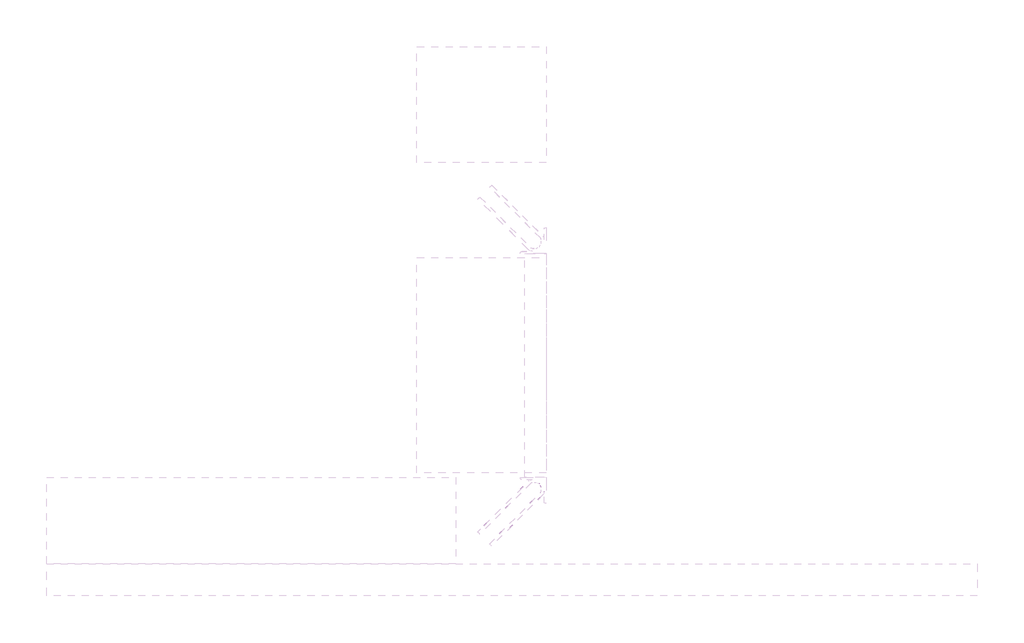
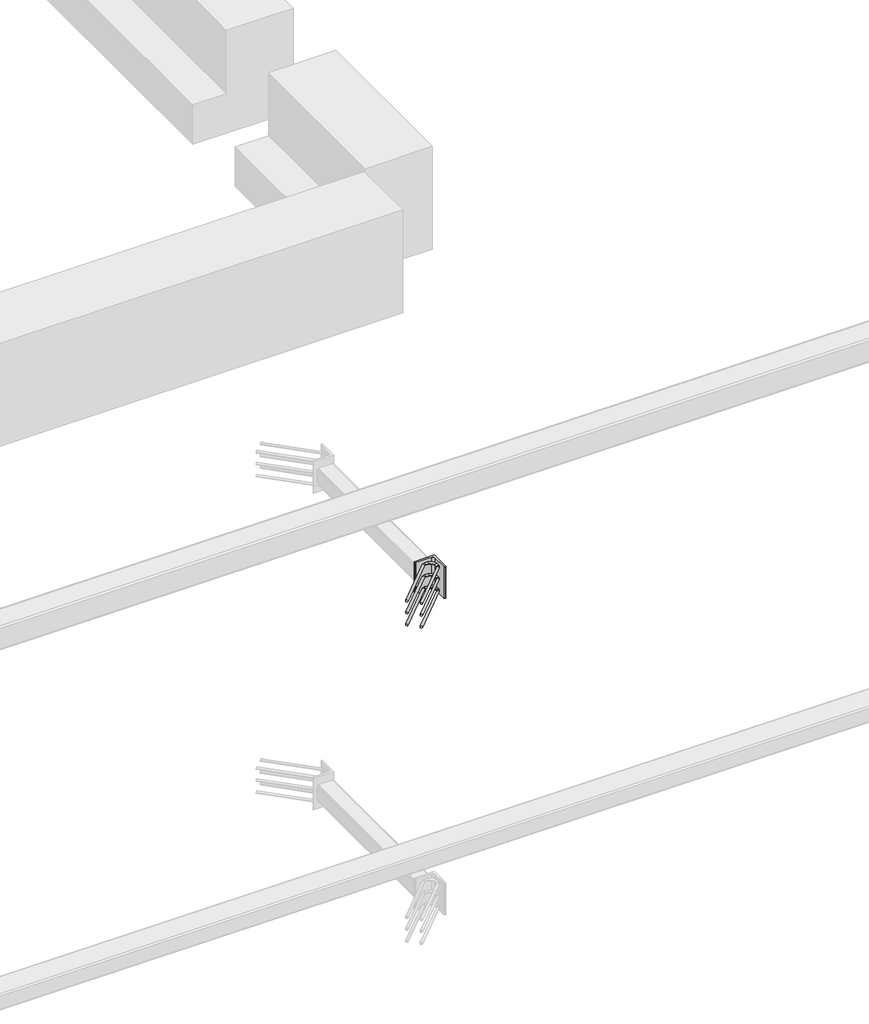
# One storey, part 6 of 65: 1 fastener.
"""IFC4 building model written with IfcOpenShell, lengths in millimetres."""

import ifcopenshell
import ifcopenshell.guid

model = None  # the IFC model being written
_history = None  # IfcOwnerHistory: only IFC2X3 demands one
_inside = {}  # id of a spatial element -> (the spatial element, [elements in it])
_under = {}  # id of a project, library or spatial element -> (it, [spatial elements below it])
_declared = {}  # id of a project -> (the project, [libraries it declares])
_typed = {}  # id of a type object -> (the type object, [elements of that type])
_made_of = {}  # id of a material, layer set ... -> (it, [elements and type objects made of it])


def new_model(schema):
    """Start an empty IFC model of exactly this schema.

    Asked for "IFC4X3", IfcOpenShell would pick the latest addendum, in which some entities
    have other attributes; the version numbers below select the first issue.
    IFC2X3 requires an IfcOwnerHistory on every rooted entity: one is made here for all.
    """
    global model, _history
    if schema == "IFC4X3":
        model = ifcopenshell.file(schema_version=(4, 3, 0, 0))
    else:
        model = ifcopenshell.file(schema=schema)
    _inside.clear()
    _under.clear()
    _declared.clear()
    _typed.clear()
    _made_of.clear()
    _history = None
    if model.schema == "IFC2X3":
        org = make("IfcOrganization", Name="unknown")
        user = make(
            "IfcPersonAndOrganization",
            ThePerson=make("IfcPerson", FamilyName="unknown"),
            TheOrganization=org,
        )
        app = make(
            "IfcApplication",
            ApplicationDeveloper=org,
            Version="unknown",
            ApplicationFullName="unknown",
            ApplicationIdentifier="unknown",
        )
        _history = make(
            "IfcOwnerHistory",
            OwningUser=user,
            OwningApplication=app,
            ChangeAction="ADDED",
            CreationDate=0,
        )
    return model


def make(cls, **values):
    """One entity of the class cls with the attributes given. An attribute that is None is left unset."""
    return model.create_entity(
        cls, **{name: value for name, value in values.items() if value is not None}
    )


def rooted(cls, **values):
    """An entity with a GlobalId (a new one), such as an element, a storey or a relation."""
    return make(cls, GlobalId=ifcopenshell.guid.new(), OwnerHistory=_history, **values)


def si_unit(unit_type, name, prefix=None):
    """IfcSIUnit, for example si_unit("LENGTHUNIT", "METRE", prefix="MILLI")."""
    return make("IfcSIUnit", UnitType=unit_type, Prefix=prefix, Name=name)


def assignment(units):
    """IfcUnitAssignment: the units of a project."""
    return None if units is None else make("IfcUnitAssignment", Units=units)


def point(xyz):
    """IfcCartesianPoint."""
    return None if xyz is None else make("IfcCartesianPoint", Coordinates=xyz)


def direction(xyz):
    """IfcDirection."""
    return None if xyz is None else make("IfcDirection", DirectionRatios=xyz)


def frame(location, z_axis=None, x_axis=None):
    """IfcAxis2Placement3D, a coordinate frame: its origin and axes. An axis left out is left unset."""
    return make(
        "IfcAxis2Placement3D",
        Location=point(location),
        Axis=direction(z_axis),
        RefDirection=direction(x_axis),
    )


def frame_2d(location, x_axis=None):
    """IfcAxis2Placement2D, a coordinate frame in the plane: its origin and x axis."""
    return make(
        "IfcAxis2Placement2D", Location=point(location), RefDirection=direction(x_axis)
    )


def origin():
    """The frame at (0, 0, 0) with its axes left unset."""
    return frame((0.0, 0.0, 0.0))


def place(relative_to, where):
    """IfcLocalPlacement: puts the frame where relative to a parent placement (None: the world)."""
    return make(
        "IfcLocalPlacement", PlacementRelTo=relative_to, RelativePlacement=where
    )


def context(
    kind, dimensions, precision=None, world=None, true_north=None, identifier=None
):
    """IfcGeometricRepresentationContext, for example the 3D "Model" context."""
    return make(
        "IfcGeometricRepresentationContext",
        ContextIdentifier=identifier,
        ContextType=kind,
        CoordinateSpaceDimension=dimensions,
        Precision=precision,
        WorldCoordinateSystem=world,
        TrueNorth=true_north,
    )


def project(units=None, contexts=None):
    """IfcProject with its units and contexts."""
    return rooted(
        "IfcProject",
        Name="project",
        RepresentationContexts=contexts,
        UnitsInContext=assignment(units),
    )


def spatial(cls, under=None, at=None, **own):
    """A site, building, storey or space (cls), placed at a placement, below another one or the project."""
    s = rooted(cls, ObjectPlacement=at, **own)
    if under is not None:
        _under.setdefault(under.id(), (under, []))[1].append(s)
    return s


def polyline(points):
    """IfcPolyline through the points."""
    return make("IfcPolyline", Points=[point(p) for p in points])


def circle_curve(where, radius):
    """IfcCircle in the frame where."""
    return make("IfcCircle", Position=where, Radius=radius)


def ellipse_curve(where, semi_axis1, semi_axis2):
    """IfcEllipse in the frame where."""
    return make(
        "IfcEllipse", Position=where, SemiAxis1=semi_axis1, SemiAxis2=semi_axis2
    )


def trimmed(basis, trim1, trim2, sense, master):
    """IfcTrimmedCurve: the piece of a basis curve between two trims."""
    return make(
        "IfcTrimmedCurve",
        BasisCurve=basis,
        Trim1=trim1,
        Trim2=trim2,
        SenseAgreement=sense,
        MasterRepresentation=master,
    )


def segment(curve, same_sense, transition):
    """IfcCompositeCurveSegment."""
    return make(
        "IfcCompositeCurveSegment",
        Transition=transition,
        SameSense=same_sense,
        ParentCurve=curve,
    )


def composite_curve(segments, self_intersect=None):
    """IfcCompositeCurve: segments joined end to end."""
    return make("IfcCompositeCurve", Segments=segments, SelfIntersect=self_intersect)


def outline(outer, holes=None, kind="AREA"):
    """IfcArbitraryClosedProfileDef: a profile drawn as a closed curve; with holes, ...WithVoids."""
    if holes is None:
        return make("IfcArbitraryClosedProfileDef", ProfileType=kind, OuterCurve=outer)
    return make(
        "IfcArbitraryProfileDefWithVoids",
        ProfileType=kind,
        OuterCurve=outer,
        InnerCurves=holes,
    )


def extrude(swept, where, along, depth):
    """IfcExtrudedAreaSolid: the profile swept, set in the frame where, extruded along a direction by depth."""
    return make(
        "IfcExtrudedAreaSolid",
        SweptArea=swept,
        Position=where,
        ExtrudedDirection=direction(along),
        Depth=depth,
    )


def shape(context_of_items, identifier, shape_type, items):
    """IfcShapeRepresentation: the items that make up one representation, for example the "Body"."""
    return make(
        "IfcShapeRepresentation",
        ContextOfItems=context_of_items,
        RepresentationIdentifier=identifier,
        RepresentationType=shape_type,
        Items=items,
    )


def made_of(thing, what):
    """Note that an element or type object is made of a material, layer set ...; save() writes the relation."""
    if what is not None:
        _made_of.setdefault(what.id(), (what, []))[1].append(thing)
    return thing


def element(
    cls,
    number,
    at=None,
    inside=None,
    cuts=None,
    type_object=None,
    material=None,
    context=None,
    identifier="Body",
    shape_type=None,
    held_by="IfcProductDefinitionShape",
    body=None,
    shapes=None,
    **own,
):
    """One element of the class cls, such as IfcWall. Its Tag is "e" and its number.

    at: its placement. inside: the storey or other place that contains it. cuts: it is an
    opening in that element (IfcRelVoidsElement). A single representation is given by context,
    identifier, shape_type and body (its items); several are given by shapes. held_by: the class
    of the entity that holds the representations. save() writes the other relations.
    """
    e = rooted(cls, Tag="e%d" % number, ObjectPlacement=at, **own)
    if body is not None:
        shapes = [shape(context, identifier, shape_type, body)]
    if shapes is not None:
        e.Representation = make(held_by, Representations=shapes)
    if inside is not None:
        _inside.setdefault(inside.id(), (inside, []))[1].append(e)
    if cuts is not None:
        rooted(
            "IfcRelVoidsElement", RelatingBuildingElement=cuts, RelatedOpeningElement=e
        )
    if type_object is not None:
        _typed.setdefault(type_object.id(), (type_object, []))[1].append(e)
    return made_of(e, material)


def aggregate(whole, parts):
    """IfcRelAggregates: a whole, such as a stair, and the parts it consists of."""
    return rooted("IfcRelAggregates", RelatingObject=whole, RelatedObjects=parts)


def save(model, path):
    """Write the relations noted so far, then the file.

    IfcRelAggregates (storeys below a building ...), IfcRelContainedInSpatialStructure (elements
    in a storey), IfcRelDefinesByType, IfcRelAssociatesMaterial and IfcRelDeclares: one each for
    every whole, place, type object, material and project.
    """
    for whole, parts in _under.values():
        aggregate(whole, parts)
    for where, things in _inside.values():
        rooted(
            "IfcRelContainedInSpatialStructure",
            RelatedElements=things,
            RelatingStructure=where,
        )
    for kind, things in _typed.values():
        rooted("IfcRelDefinesByType", RelatedObjects=things, RelatingType=kind)
    for what, things in _made_of.values():
        rooted("IfcRelAssociatesMaterial", RelatedObjects=things, RelatingMaterial=what)
    for by, libraries in _declared.values():
        rooted("IfcRelDeclares", RelatingContext=by, RelatedDefinitions=libraries)
    model.write(path)


def plane_surface(at):
    """IfcPlane: the flat surface through the origin of the frame at, square to its z axis."""
    return make("IfcPlane", Position=at)


def cylinder_surface(at, radius):
    """IfcCylindricalSurface: all points at the distance radius from the z axis of the frame at."""
    return make("IfcCylindricalSurface", Position=at, Radius=radius)


def revolved_surface(curve, axis_point, axis_direction):
    """IfcSurfaceOfRevolution: the curve turned about the line through axis_point along axis_direction."""
    return make(
        "IfcSurfaceOfRevolution",
        SweptCurve=make("IfcArbitraryOpenProfileDef", ProfileType="CURVE", Curve=curve),
        AxisPosition=make("IfcAxis1Placement", Location=point(axis_point), Axis=direction(axis_direction)),
    )


def advanced_brep(points, edges, surfaces, faces):
    """IfcAdvancedBrep: a solid bounded by faces that lie on surfaces and meet in shared edges.

    An edge is (start, end): straight between two places in points (the first is 0);
    or (start, end, curve); or (start, end, curve, False) where it runs against its curve.
    A face is (place in surfaces, loops), or (place, loops, False) where it looks against
    its surface's normal. A loop lists edges by number (the first is 1), with a minus sign
    where the edge is run from its end to its start. The first loop is the outer one.
    """
    corners = [point(p) for p in points]
    vertices = [make("IfcVertexPoint", VertexGeometry=c) for c in corners]
    made = []
    for start, end, *more in edges:
        made.append(
            make(
                "IfcEdgeCurve",
                EdgeStart=vertices[start],
                EdgeEnd=vertices[end],
                EdgeGeometry=more[0] if more else make("IfcPolyline", Points=[corners[start], corners[end]]),
                SameSense=more[1] if len(more) > 1 else True,
            )
        )
    hull = []
    for where, loops, *sense in faces:
        bounds = []
        for j, loop in enumerate(loops):
            ring = [make("IfcOrientedEdge", EdgeElement=made[abs(k) - 1], Orientation=k > 0) for k in loop]
            bounds.append(
                make(
                    "IfcFaceOuterBound" if j == 0 else "IfcFaceBound",
                    Bound=make("IfcEdgeLoop", EdgeList=ring),
                    Orientation=True,
                )
            )
        hull.append(make("IfcAdvancedFace", Bounds=bounds, FaceSurface=surfaces[where], SameSense=sense[0] if sense else True))
    return make("IfcAdvancedBrep", Outer=make("IfcClosedShell", CfsFaces=hull))


model = new_model("IFC4")

# Units and contexts
model_context = context("Model", 3, world=origin())
ifc_project = project(units=[si_unit("LENGTHUNIT", "METRE", prefix="MILLI")], contexts=[model_context])

# Site, building, storey
site = spatial("IfcSite", under=ifc_project)
building = spatial("IfcBuilding", under=site)
storey = spatial("IfcBuildingStorey", under=building, Elevation=0.0)

# Fastener
placement = place(None, origin())
element("IfcFastener", 1, at=placement, inside=storey, context=model_context, shape_type="SolidModel", body=[
    advanced_brep(
    [(17097.4623741, 9882.5628791, 3975.0), (17087.5628791, 9892.4623741, 3975.0), (17032.5628791, 9947.4623741, 3975.0), (17042.4623741, 9937.5628791, 3975.0), (17303.0, 10176.0, 3975.0), (17303.0, 10190.0, 3975.0), (17284.2132034, 10190.0, 3975.0), (17284.2132034, 10176.0, 3975.0), (17326.0, 10153.0, 3975.0), (17340.0, 10153.0, 3975.0), (17326.0, 10134.2132034, 3975.0), (17340.0, 10134.2132034, 3975.0), (17333.5563492, 10118.6568542, 3975.0), (17323.6568543, 10128.5563492, 3975.0), (17278.5563492, 10173.6568542, 3975.0), (17268.6568543, 10183.5563492, 3975.0)],
    [
        (0, 1, circle_curve(frame((17092.5126266, 9887.5126266, 3975.0), z_axis=(-0.7071067811865505, -0.7071067811865446, 0.0), x_axis=(-0.7071067811865447, 0.7071067811865506, 0.0)), 7.0)),
        (1, 0, circle_curve(frame((17092.5126266, 9887.5126266, 3975.0), z_axis=(-0.7071067811865505, -0.7071067811865446, 0.0), x_axis=(-0.7071067811865447, 0.7071067811865506, 0.0)), 7.0)),
        (2, 3, circle_curve(frame((17037.5126266, 9942.5126266, 3975.0), z_axis=(-0.7071067811865503, -0.7071067811865447, 0.0), x_axis=(0.7071067811865447, -0.7071067811865503, 0.0)), 7.0)),
        (3, 2, circle_curve(frame((17037.5126266, 9942.5126266, 3975.0), z_axis=(-0.7071067811865503, -0.7071067811865447, 0.0), x_axis=(0.7071067811865447, -0.7071067811865503, 0.0)), 7.0)),
        (4, 5, circle_curve(frame((17303.0, 10183.0, 3975.0), z_axis=(-1.0, 0.0, 0.0), x_axis=(0.0, -1.0, 0.0)), 7.0)),
        (5, 6),
        (6, 7, circle_curve(frame((17284.2132034, 10183.0, 3975.0), z_axis=(1.0, 0.0, 0.0), x_axis=(0.0, -1.0, 0.0)), 7.0)),
        (7, 4),
        (5, 4, circle_curve(frame((17303.0, 10183.0, 3975.0), z_axis=(-1.0, 0.0, 0.0), x_axis=(0.0, -1.0, 0.0)), 7.0)),
        (7, 6, circle_curve(frame((17284.2132034, 10183.0, 3975.0), z_axis=(1.0, 0.0, 0.0), x_axis=(0.0, -1.0, 0.0)), 7.0)),
        (4, 8, circle_curve(frame((17303.0, 10153.0, 3975.0), z_axis=(0.0, 0.0, -1.0), x_axis=(1.0, 0.0, 0.0)), 23.0)),
        (8, 9, circle_curve(frame((17333.0, 10153.0, 3975.0), z_axis=(0.0, 1.0, 0.0), x_axis=(-1.0, 0.0, 0.0)), 7.0)),
        (9, 5, circle_curve(frame((17303.0, 10153.0, 3975.0), z_axis=(0.0, 0.0, 1.0), x_axis=(1.0, 0.0, 0.0)), 37.0)),
        (9, 8, circle_curve(frame((17333.0, 10153.0, 3975.0), z_axis=(0.0, 1.0, 0.0), x_axis=(-1.0, 0.0, 0.0)), 7.0)),
        (10, 11, circle_curve(frame((17333.0, 10134.2132034, 3975.0), z_axis=(0.0, 1.0, 0.0), x_axis=(-1.0, 0.0, 0.0)), 7.0)),
        (11, 9),
        (8, 10),
        (11, 10, circle_curve(frame((17333.0, 10134.2132034, 3975.0), z_axis=(0.0, 1.0, 0.0), x_axis=(-1.0, 0.0, 0.0)), 7.0)),
        (0, 12),
        (12, 13, circle_curve(frame((17328.6066017, 10123.6066017, 3975.0), z_axis=(-0.7071067811865505, -0.7071067811865446, 0.0), x_axis=(-0.7071067811865447, 0.7071067811865506, 0.0)), 7.0)),
        (13, 1),
        (13, 12, circle_curve(frame((17328.6066017, 10123.6066017, 3975.0), z_axis=(-0.7071067811865505, -0.7071067811865446, 0.0), x_axis=(-0.7071067811865447, 0.7071067811865506, 0.0)), 7.0)),
        (10, 13, circle_curve(frame((17318.0, 10134.2132034, 3975.0), z_axis=(0.0, 0.0, -1.0), x_axis=(0.7071067811865445, -0.7071067811865506, 0.0)), 8.0)),
        (12, 11, circle_curve(frame((17318.0, 10134.2132034, 3975.0), z_axis=(0.0, 0.0, 1.0), x_axis=(0.7071067811865445, -0.7071067811865506, 0.0)), 22.0)),
        (14, 7, circle_curve(frame((17284.2132034, 10168.0, 3975.0), z_axis=(0.0, 0.0, -1.0), x_axis=(0.0, 1.0, 0.0)), 8.0)),
        (6, 15, circle_curve(frame((17284.2132034, 10168.0, 3975.0), z_axis=(0.0, 0.0, 1.0), x_axis=(0.0, 1.0, 0.0)), 22.0)),
        (15, 14, circle_curve(frame((17273.6066017, 10178.6066017, 3975.0), z_axis=(0.7071067811865501, 0.7071067811865449, 0.0), x_axis=(0.7071067811865449, -0.7071067811865501, 0.0)), 7.0)),
        (14, 15, circle_curve(frame((17273.6066017, 10178.6066017, 3975.0), z_axis=(0.7071067811865496, 0.7071067811865455, 0.0), x_axis=(0.7071067811865455, -0.7071067811865496, 0.0)), 7.0)),
        (15, 2),
        (3, 14),
    ],
    [
        plane_surface(frame((17092.5126266, 9887.5126266, 3975.0), z_axis=(-0.7071067811865505, -0.7071067811865446, 0.0), x_axis=(0.0, 0.0, 1.0))),
        plane_surface(frame((17037.5126266, 9942.5126266, 3975.0), z_axis=(-0.7071067811865503, -0.7071067811865447, 0.0), x_axis=(0.0, 0.0, 1.0))),
        cylinder_surface(frame((17303.0, 10183.0, 3975.0), z_axis=(1.0, 0.0, 0.0), x_axis=(0.0, -1.0, 0.0)), 7.0),
        revolved_surface(trimmed(ellipse_curve(frame((17333.0, 10153.0, 3975.0), z_axis=(0.0, -1.0, 0.0), x_axis=(-1.0, 0.0, 0.0)), 7.0, 7.0), [point((17340.0, 10153.0, 3975.0))], [point((17326.0, 10153.0, 3975.0))], True, "CARTESIAN"), (17303.0, 10153.0, 3975.0), (0.0, 0.0, 1.0)),
        revolved_surface(trimmed(ellipse_curve(frame((17333.0, 10153.0, 3975.0), z_axis=(0.0, -1.0, 0.0), x_axis=(-1.0, 0.0, 0.0)), 7.0, 7.0), [point((17326.0, 10153.0, 3975.0))], [point((17340.0, 10153.0, 3975.0))], True, "CARTESIAN"), (17303.0, 10153.0, 3975.0), (0.0, 0.0, 1.0)),
        cylinder_surface(frame((17333.0, 10134.2132034, 3975.0), z_axis=(0.0, -1.0, 0.0), x_axis=(-1.0, 0.0, 0.0)), 7.0),
        cylinder_surface(frame((17092.5126266, 9887.5126266, 3975.0), z_axis=(-0.7071067811865506, -0.7071067811865447, 0.0), x_axis=(-0.7071067811865447, 0.7071067811865506, 0.0)), 7.0),
        revolved_surface(trimmed(ellipse_curve(frame((17328.6066017, 10123.6066017, 3975.0), z_axis=(-0.7071067811865506, -0.7071067811865445, 0.0), x_axis=(-0.7071067811865445, 0.7071067811865506, 0.0)), 7.0, 7.0), [point((17333.5563492, 10118.6568542, 3975.0))], [point((17323.6568543, 10128.5563492, 3975.0))], True, "CARTESIAN"), (17318.0, 10134.2132034, 3975.0), (0.0, 0.0, 1.0)),
        revolved_surface(trimmed(ellipse_curve(frame((17328.6066017, 10123.6066017, 3975.0), z_axis=(-0.7071067811865506, -0.7071067811865445, 0.0), x_axis=(-0.7071067811865445, 0.7071067811865506, 0.0)), 7.0, 7.0), [point((17323.6568543, 10128.5563492, 3975.0))], [point((17333.5563492, 10118.6568542, 3975.0))], True, "CARTESIAN"), (17318.0, 10134.2132034, 3975.0), (0.0, 0.0, 1.0)),
        revolved_surface(trimmed(ellipse_curve(frame((17284.2132034, 10183.0, 3975.0), z_axis=(1.0, 0.0, 0.0), x_axis=(0.0, -1.0, 0.0)), 7.0, 7.0), [point((17284.2132034, 10190.0, 3975.0))], [point((17284.2132034, 10176.0, 3975.0))], True, "CARTESIAN"), (17284.2132034, 10168.0, 3975.0), (0.0, 0.0, 1.0)),
        revolved_surface(trimmed(ellipse_curve(frame((17284.2132034, 10183.0, 3975.0), z_axis=(1.0, 0.0, 0.0), x_axis=(0.0, -1.0, 0.0)), 7.0, 7.0), [point((17284.2132034, 10176.0, 3975.0))], [point((17284.2132034, 10190.0, 3975.0))], True, "CARTESIAN"), (17284.2132034, 10168.0, 3975.0), (0.0, 0.0, 1.0)),
        cylinder_surface(frame((17273.6066017, 10178.6066017, 3975.0), z_axis=(0.7071067811865503, 0.7071067811865447, 0.0), x_axis=(0.7071067811865447, -0.7071067811865503, 0.0)), 7.0),
    ],
    [
        (0, [[1, 2]]),
        (1, [[3, 4]]),
        (2, [[5, 6, 7, 8]]),
        (2, [[9, -8, 10, -6]]),
        (3, [[11, 12, 13, -5]]),
        (4, [[-13, 14, -11, -9]]),
        (5, [[15, 16, -12, 17]]),
        (5, [[18, -17, -14, -16]]),
        (6, [[-1, 19, 20, 21]]),
        (6, [[-2, -21, 22, -19]]),
        (7, [[23, -20, 24, -15]]),
        (8, [[-24, -22, -23, -18]]),
        (9, [[25, -7, 26, 27]]),
        (10, [[-26, -10, -25, 28]]),
        (11, [[-27, 29, -4, 30]]),
        (11, [[-28, -30, -3, -29]]),
    ],
),
    advanced_brep(
    [(17087.5628791, 9892.4623741, 4125.0), (17097.4623741, 9882.5628791, 4125.0), (17042.4623741, 9937.5628791, 4125.0), (17032.5628791, 9947.4623741, 4125.0), (17303.0, 10190.0, 4125.0), (17303.0, 10176.0, 4125.0), (17284.2132034, 10176.0, 4125.0), (17284.2132034, 10190.0, 4125.0), (17340.0, 10153.0, 4125.0), (17326.0, 10153.0, 4125.0), (17340.0, 10134.2132034, 4125.0), (17326.0, 10134.2132034, 4125.0), (17323.6568543, 10128.5563492, 4125.0), (17333.5563492, 10118.6568542, 4125.0), (17268.6568543, 10183.5563492, 4125.0), (17278.5563492, 10173.6568542, 4125.0)],
    [
        (0, 1, circle_curve(frame((17092.5126266, 9887.5126266, 4125.0), z_axis=(-0.7071067811865505, -0.7071067811865446, 0.0), x_axis=(0.7071067811865447, -0.7071067811865506, 0.0)), 7.0)),
        (1, 0, circle_curve(frame((17092.5126266, 9887.5126266, 4125.0), z_axis=(-0.7071067811865505, -0.7071067811865446, 0.0), x_axis=(0.7071067811865447, -0.7071067811865506, 0.0)), 7.0)),
        (2, 3, circle_curve(frame((17037.5126266, 9942.5126266, 4125.0), z_axis=(-0.7071067811865505, -0.7071067811865447, 0.0), x_axis=(-0.7071067811865447, 0.7071067811865505, 0.0)), 7.0)),
        (3, 2, circle_curve(frame((17037.5126266, 9942.5126266, 4125.0), z_axis=(-0.7071067811865505, -0.7071067811865447, 0.0), x_axis=(-0.7071067811865447, 0.7071067811865505, 0.0)), 7.0)),
        (4, 5, circle_curve(frame((17303.0, 10183.0, 4125.0), z_axis=(-1.0, 0.0, 0.0), x_axis=(0.0, 1.0, 0.0)), 7.0)),
        (5, 6),
        (6, 7, circle_curve(frame((17284.2132034, 10183.0, 4125.0), z_axis=(1.0, 0.0, 0.0), x_axis=(0.0, 1.0, 0.0)), 7.0)),
        (7, 4),
        (5, 4, circle_curve(frame((17303.0, 10183.0, 4125.0), z_axis=(-1.0, 0.0, 0.0), x_axis=(0.0, 1.0, 0.0)), 7.0)),
        (7, 6, circle_curve(frame((17284.2132034, 10183.0, 4125.0), z_axis=(1.0, 0.0, 0.0), x_axis=(0.0, 1.0, 0.0)), 7.0)),
        (4, 8, circle_curve(frame((17303.0, 10153.0, 4125.0), z_axis=(0.0, 0.0, -1.0), x_axis=(1.0, 0.0, 0.0)), 37.0)),
        (8, 9, circle_curve(frame((17333.0, 10153.0, 4125.0), z_axis=(0.0, 1.0, 0.0), x_axis=(1.0, 0.0, 0.0)), 7.0)),
        (9, 5, circle_curve(frame((17303.0, 10153.0, 4125.0), z_axis=(0.0, 0.0, 1.0), x_axis=(1.0, 0.0, 0.0)), 23.0)),
        (9, 8, circle_curve(frame((17333.0, 10153.0, 4125.0), z_axis=(0.0, 1.0, 0.0), x_axis=(1.0, 0.0, 0.0)), 7.0)),
        (10, 11, circle_curve(frame((17333.0, 10134.2132034, 4125.0), z_axis=(0.0, 1.0, 0.0), x_axis=(1.0, 0.0, 0.0)), 7.0)),
        (11, 9),
        (8, 10),
        (11, 10, circle_curve(frame((17333.0, 10134.2132034, 4125.0), z_axis=(0.0, 1.0, 0.0), x_axis=(1.0, 0.0, 0.0)), 7.0)),
        (0, 12),
        (12, 13, circle_curve(frame((17328.6066017, 10123.6066017, 4125.0), z_axis=(-0.7071067811865505, -0.7071067811865446, 0.0), x_axis=(0.7071067811865447, -0.7071067811865506, 0.0)), 7.0)),
        (13, 1),
        (13, 12, circle_curve(frame((17328.6066017, 10123.6066017, 4125.0), z_axis=(-0.7071067811865505, -0.7071067811865446, 0.0), x_axis=(0.7071067811865447, -0.7071067811865506, 0.0)), 7.0)),
        (10, 13, circle_curve(frame((17318.0, 10134.2132034, 4125.0), z_axis=(0.0, 0.0, -1.0), x_axis=(0.7071067811865445, -0.7071067811865506, 0.0)), 22.0)),
        (12, 11, circle_curve(frame((17318.0, 10134.2132034, 4125.0), z_axis=(0.0, 0.0, 1.0), x_axis=(0.7071067811865445, -0.7071067811865506, 0.0)), 8.0)),
        (14, 7, circle_curve(frame((17284.2132034, 10168.0, 4125.0), z_axis=(0.0, 0.0, -1.0), x_axis=(0.0, 1.0, 0.0)), 22.0)),
        (6, 15, circle_curve(frame((17284.2132034, 10168.0, 4125.0), z_axis=(0.0, 0.0, 1.0), x_axis=(0.0, 1.0, 0.0)), 8.0)),
        (15, 14, circle_curve(frame((17273.6066017, 10178.6066017, 4125.0), z_axis=(0.7071067811865488, 0.7071067811865462, 0.0), x_axis=(-0.7071067811865462, 0.7071067811865488, 0.0)), 7.0)),
        (14, 15, circle_curve(frame((17273.6066017, 10178.6066017, 4125.0), z_axis=(0.7071067811865496, 0.7071067811865455, 0.0), x_axis=(-0.7071067811865455, 0.7071067811865496, 0.0)), 7.0)),
        (15, 2),
        (3, 14),
    ],
    [
        plane_surface(frame((17092.5126266, 9887.5126266, 4125.0), z_axis=(-0.7071067811865505, -0.7071067811865446, 0.0), x_axis=(0.0, 0.0, -1.0))),
        plane_surface(frame((17037.5126266, 9942.5126266, 4125.0), z_axis=(-0.7071067811865505, -0.7071067811865447, 0.0), x_axis=(0.0, 0.0, -1.0))),
        cylinder_surface(frame((17303.0, 10183.0, 4125.0), z_axis=(1.0, 0.0, 0.0), x_axis=(0.0, 1.0, 0.0)), 7.0),
        revolved_surface(trimmed(ellipse_curve(frame((17333.0, 10153.0, 4125.0), z_axis=(0.0, -1.0, 0.0), x_axis=(1.0, 0.0, 0.0)), 7.0, 7.0), [point((17326.0, 10153.0, 4125.0))], [point((17340.0, 10153.0, 4125.0))], True, "CARTESIAN"), (17303.0, 10153.0, 4125.0), (0.0, 0.0, 1.0)),
        revolved_surface(trimmed(ellipse_curve(frame((17333.0, 10153.0, 4125.0), z_axis=(0.0, -1.0, 0.0), x_axis=(1.0, 0.0, 0.0)), 7.0, 7.0), [point((17340.0, 10153.0, 4125.0))], [point((17326.0, 10153.0, 4125.0))], True, "CARTESIAN"), (17303.0, 10153.0, 4125.0), (0.0, 0.0, 1.0)),
        cylinder_surface(frame((17333.0, 10134.2132034, 4125.0), z_axis=(0.0, -1.0, 0.0), x_axis=(1.0, 0.0, 0.0)), 7.0),
        cylinder_surface(frame((17092.5126266, 9887.5126266, 4125.0), z_axis=(-0.7071067811865506, -0.7071067811865447, 0.0), x_axis=(0.7071067811865447, -0.7071067811865506, 0.0)), 7.0),
        revolved_surface(trimmed(ellipse_curve(frame((17328.6066017, 10123.6066017, 4125.0), z_axis=(-0.7071067811865506, -0.7071067811865445, 0.0), x_axis=(0.7071067811865445, -0.7071067811865506, 0.0)), 7.0, 7.0), [point((17323.6568543, 10128.5563492, 4125.0))], [point((17333.5563492, 10118.6568542, 4125.0))], True, "CARTESIAN"), (17318.0, 10134.2132034, 4125.0), (0.0, 0.0, 1.0)),
        revolved_surface(trimmed(ellipse_curve(frame((17328.6066017, 10123.6066017, 4125.0), z_axis=(-0.7071067811865506, -0.7071067811865445, 0.0), x_axis=(0.7071067811865445, -0.7071067811865506, 0.0)), 7.0, 7.0), [point((17333.5563492, 10118.6568542, 4125.0))], [point((17323.6568543, 10128.5563492, 4125.0))], True, "CARTESIAN"), (17318.0, 10134.2132034, 4125.0), (0.0, 0.0, 1.0)),
        revolved_surface(trimmed(ellipse_curve(frame((17284.2132034, 10183.0, 4125.0), z_axis=(1.0, 0.0, 0.0), x_axis=(0.0, 1.0, 0.0)), 7.0, 7.0), [point((17284.2132034, 10176.0, 4125.0))], [point((17284.2132034, 10190.0, 4125.0))], True, "CARTESIAN"), (17284.2132034, 10168.0, 4125.0), (0.0, 0.0, 1.0)),
        revolved_surface(trimmed(ellipse_curve(frame((17284.2132034, 10183.0, 4125.0), z_axis=(1.0, 0.0, 0.0), x_axis=(0.0, 1.0, 0.0)), 7.0, 7.0), [point((17284.2132034, 10190.0, 4125.0))], [point((17284.2132034, 10176.0, 4125.0))], True, "CARTESIAN"), (17284.2132034, 10168.0, 4125.0), (0.0, 0.0, 1.0)),
        cylinder_surface(frame((17273.6066017, 10178.6066017, 4125.0), z_axis=(0.7071067811865505, 0.7071067811865447, 0.0), x_axis=(-0.7071067811865447, 0.7071067811865505, 0.0)), 7.0),
    ],
    [
        (0, [[1, 2]]),
        (1, [[3, 4]]),
        (2, [[5, 6, 7, 8]]),
        (2, [[9, -8, 10, -6]]),
        (3, [[11, 12, 13, -5]]),
        (4, [[-13, 14, -11, -9]]),
        (5, [[15, 16, -12, 17]]),
        (5, [[18, -17, -14, -16]]),
        (6, [[-1, 19, 20, 21]]),
        (6, [[-2, -21, 22, -19]]),
        (7, [[23, -20, 24, -15]]),
        (8, [[-24, -22, -23, -18]]),
        (9, [[25, -7, 26, 27]]),
        (10, [[-26, -10, -25, 28]]),
        (11, [[-27, 29, -4, 30]]),
        (11, [[-28, -30, -3, -29]]),
    ],
),
    advanced_brep(
    [(17087.5628791, 9892.4623741, 4050.0), (17097.4623741, 9882.5628791, 4050.0), (17042.4623741, 9937.5628791, 4050.0), (17032.5628791, 9947.4623741, 4050.0), (17303.0, 10190.0, 4050.0), (17303.0, 10176.0, 4050.0), (17284.2132034, 10176.0, 4050.0), (17284.2132034, 10190.0, 4050.0), (17340.0, 10153.0, 4050.0), (17326.0, 10153.0, 4050.0), (17340.0, 10134.2132034, 4050.0), (17326.0, 10134.2132034, 4050.0), (17323.6568543, 10128.5563492, 4050.0), (17333.5563492, 10118.6568542, 4050.0), (17268.6568543, 10183.5563492, 4050.0), (17278.5563492, 10173.6568542, 4050.0)],
    [
        (0, 1, circle_curve(frame((17092.5126266, 9887.5126266, 4050.0), z_axis=(-0.7071067811865505, -0.7071067811865446, 0.0), x_axis=(0.7071067811865446, -0.7071067811865505, 0.0)), 7.0)),
        (1, 0, circle_curve(frame((17092.5126266, 9887.5126266, 4050.0), z_axis=(-0.7071067811865505, -0.7071067811865446, 0.0), x_axis=(0.7071067811865446, -0.7071067811865505, 0.0)), 7.0)),
        (2, 3, circle_curve(frame((17037.5126266, 9942.5126266, 4050.0), z_axis=(-0.7071067811865505, -0.7071067811865447, 0.0), x_axis=(-0.7071067811865447, 0.7071067811865505, 0.0)), 7.0)),
        (3, 2, circle_curve(frame((17037.5126266, 9942.5126266, 4050.0), z_axis=(-0.7071067811865505, -0.7071067811865447, 0.0), x_axis=(-0.7071067811865447, 0.7071067811865505, 0.0)), 7.0)),
        (4, 5, circle_curve(frame((17303.0, 10183.0, 4050.0), z_axis=(-1.0, 0.0, 0.0), x_axis=(0.0, 1.0, 0.0)), 7.0)),
        (5, 6),
        (6, 7, circle_curve(frame((17284.2132034, 10183.0, 4050.0), z_axis=(1.0, 0.0, 0.0), x_axis=(0.0, 1.0, 0.0)), 7.0)),
        (7, 4),
        (5, 4, circle_curve(frame((17303.0, 10183.0, 4050.0), z_axis=(-1.0, 0.0, 0.0), x_axis=(0.0, 1.0, 0.0)), 7.0)),
        (7, 6, circle_curve(frame((17284.2132034, 10183.0, 4050.0), z_axis=(1.0, 0.0, 0.0), x_axis=(0.0, 1.0, 0.0)), 7.0)),
        (4, 8, circle_curve(frame((17303.0, 10153.0, 4050.0), z_axis=(0.0, 0.0, -1.0), x_axis=(1.0, 0.0, 0.0)), 37.0)),
        (8, 9, circle_curve(frame((17333.0, 10153.0, 4050.0), z_axis=(0.0, 1.0, 0.0), x_axis=(1.0, 0.0, 0.0)), 7.0)),
        (9, 5, circle_curve(frame((17303.0, 10153.0, 4050.0), z_axis=(0.0, 0.0, 1.0), x_axis=(1.0, 0.0, 0.0)), 23.0)),
        (9, 8, circle_curve(frame((17333.0, 10153.0, 4050.0), z_axis=(0.0, 1.0, 0.0), x_axis=(1.0, 0.0, 0.0)), 7.0)),
        (10, 11, circle_curve(frame((17333.0, 10134.2132034, 4050.0), z_axis=(0.0, 1.0, 0.0), x_axis=(1.0, 0.0, 0.0)), 7.0)),
        (11, 9),
        (8, 10),
        (11, 10, circle_curve(frame((17333.0, 10134.2132034, 4050.0), z_axis=(0.0, 1.0, 0.0), x_axis=(1.0, 0.0, 0.0)), 7.0)),
        (0, 12),
        (12, 13, circle_curve(frame((17328.6066017, 10123.6066017, 4050.0), z_axis=(-0.7071067811865505, -0.7071067811865446, 0.0), x_axis=(0.7071067811865446, -0.7071067811865505, 0.0)), 7.0)),
        (13, 1),
        (13, 12, circle_curve(frame((17328.6066017, 10123.6066017, 4050.0), z_axis=(-0.7071067811865505, -0.7071067811865446, 0.0), x_axis=(0.7071067811865446, -0.7071067811865505, 0.0)), 7.0)),
        (10, 13, circle_curve(frame((17318.0, 10134.2132034, 4050.0), z_axis=(0.0, 0.0, -1.0), x_axis=(0.7071067811865445, -0.7071067811865506, 0.0)), 22.0)),
        (12, 11, circle_curve(frame((17318.0, 10134.2132034, 4050.0), z_axis=(0.0, 0.0, 1.0), x_axis=(0.7071067811865445, -0.7071067811865506, 0.0)), 8.0)),
        (14, 7, circle_curve(frame((17284.2132034, 10168.0, 4050.0), z_axis=(0.0, 0.0, -1.0), x_axis=(0.0, 1.0, 0.0)), 22.0)),
        (6, 15, circle_curve(frame((17284.2132034, 10168.0, 4050.0), z_axis=(0.0, 0.0, 1.0), x_axis=(0.0, 1.0, 0.0)), 8.0)),
        (15, 14, circle_curve(frame((17273.6066017, 10178.6066017, 4050.0), z_axis=(0.7071067811865502, 0.7071067811865448, 0.0), x_axis=(-0.7071067811865448, 0.7071067811865502, 0.0)), 7.0)),
        (14, 15, circle_curve(frame((17273.6066017, 10178.6066017, 4050.0), z_axis=(0.7071067811865501, 0.7071067811865449, 0.0), x_axis=(-0.7071067811865449, 0.7071067811865501, 0.0)), 7.0)),
        (15, 2),
        (3, 14),
    ],
    [
        plane_surface(frame((17092.5126266, 9887.5126266, 4050.0), z_axis=(-0.7071067811865505, -0.7071067811865446, 0.0), x_axis=(0.0, 0.0, -1.0))),
        plane_surface(frame((17037.5126266, 9942.5126266, 4050.0), z_axis=(-0.7071067811865503, -0.7071067811865448, 0.0), x_axis=(0.0, 0.0, -1.0))),
        cylinder_surface(frame((17303.0, 10183.0, 4050.0), z_axis=(1.0, 0.0, 0.0), x_axis=(0.0, 1.0, 0.0)), 7.0),
        revolved_surface(trimmed(ellipse_curve(frame((17333.0, 10153.0, 4050.0), z_axis=(0.0, -1.0, 0.0), x_axis=(1.0, 0.0, 0.0)), 7.0, 7.0), [point((17326.0, 10153.0, 4050.0))], [point((17340.0, 10153.0, 4050.0))], True, "CARTESIAN"), (17303.0, 10153.0, 4050.0), (0.0, 0.0, 1.0)),
        revolved_surface(trimmed(ellipse_curve(frame((17333.0, 10153.0, 4050.0), z_axis=(0.0, -1.0, 0.0), x_axis=(1.0, 0.0, 0.0)), 7.0, 7.0), [point((17340.0, 10153.0, 4050.0))], [point((17326.0, 10153.0, 4050.0))], True, "CARTESIAN"), (17303.0, 10153.0, 4050.0), (0.0, 0.0, 1.0)),
        cylinder_surface(frame((17333.0, 10134.2132034, 4050.0), z_axis=(0.0, -1.0, 0.0), x_axis=(1.0, 0.0, 0.0)), 7.0),
        cylinder_surface(frame((17092.5126266, 9887.5126266, 4050.0), z_axis=(-0.7071067811865505, -0.7071067811865446, 0.0), x_axis=(0.7071067811865446, -0.7071067811865505, 0.0)), 7.0),
        revolved_surface(trimmed(ellipse_curve(frame((17328.6066017, 10123.6066017, 4050.0), z_axis=(-0.7071067811865507, -0.7071067811865444, 0.0), x_axis=(0.7071067811865444, -0.7071067811865507, 0.0)), 7.0, 7.0), [point((17323.6568543, 10128.5563492, 4050.0))], [point((17333.5563492, 10118.6568542, 4050.0))], True, "CARTESIAN"), (17318.0, 10134.2132034, 4050.0), (0.0, 0.0, 1.0)),
        revolved_surface(trimmed(ellipse_curve(frame((17328.6066017, 10123.6066017, 4050.0), z_axis=(-0.7071067811865507, -0.7071067811865444, 0.0), x_axis=(0.7071067811865444, -0.7071067811865507, 0.0)), 7.0, 7.0), [point((17333.5563492, 10118.6568542, 4050.0))], [point((17323.6568543, 10128.5563492, 4050.0))], True, "CARTESIAN"), (17318.0, 10134.2132034, 4050.0), (0.0, 0.0, 1.0)),
        revolved_surface(trimmed(ellipse_curve(frame((17284.2132034, 10183.0, 4050.0), z_axis=(1.0, 0.0, 0.0), x_axis=(0.0, 1.0, 0.0)), 7.0, 7.0), [point((17284.2132034, 10176.0, 4050.0))], [point((17284.2132034, 10190.0, 4050.0))], True, "CARTESIAN"), (17284.2132034, 10168.0, 4050.0), (0.0, 0.0, 1.0)),
        revolved_surface(trimmed(ellipse_curve(frame((17284.2132034, 10183.0, 4050.0), z_axis=(1.0, 0.0, 0.0), x_axis=(0.0, 1.0, 0.0)), 7.0, 7.0), [point((17284.2132034, 10190.0, 4050.0))], [point((17284.2132034, 10176.0, 4050.0))], True, "CARTESIAN"), (17284.2132034, 10168.0, 4050.0), (0.0, 0.0, 1.0)),
        cylinder_surface(frame((17273.6066017, 10178.6066017, 4050.0), z_axis=(0.7071067811865505, 0.7071067811865447, 0.0), x_axis=(-0.7071067811865447, 0.7071067811865505, 0.0)), 7.0),
    ],
    [
        (0, [[1, 2]]),
        (1, [[3, 4]]),
        (2, [[5, 6, 7, 8]]),
        (2, [[9, -8, 10, -6]]),
        (3, [[11, 12, 13, -5]]),
        (4, [[-13, 14, -11, -9]]),
        (5, [[15, 16, -12, 17]]),
        (5, [[18, -17, -14, -16]]),
        (6, [[-1, 19, 20, 21]]),
        (6, [[-2, -21, 22, -19]]),
        (7, [[23, -20, 24, -15]]),
        (8, [[-24, -22, -23, -18]]),
        (9, [[25, -7, 26, 27]]),
        (10, [[-26, -10, -25, 28]]),
        (11, [[-27, 29, -4, 30]]),
        (11, [[-28, -30, -3, -29]]),
    ],
),
    extrude(outline(composite_curve([segment(polyline([(17350.0, 10200.0), (17350.0, 10080.0), (17346.5, 10080.0)]), True, "CONTINUOUS"), segment(trimmed(circle_curve(frame_2d((17346.5, 10086.5)), 6.5), [point((17346.5, 10080.0))], [point((17340.0, 10086.5))], False, "CARTESIAN"), True, "CONTINUOUS"), segment(polyline([(17340.0, 10086.5), (17340.0, 10177.0)]), True, "CONTINUOUS"), segment(trimmed(circle_curve(frame_2d((17327.0, 10177.0)), 13.0), [point((17340.0, 10177.0))], [point((17327.0, 10190.0))], True, "CARTESIAN"), True, "CONTINUOUS"), segment(polyline([(17327.0, 10190.0), (17236.5, 10190.0)]), True, "CONTINUOUS"), segment(trimmed(circle_curve(frame_2d((17236.5, 10196.5)), 6.5), [point((17236.5, 10190.0))], [point((17230.0, 10196.5))], False, "CARTESIAN"), True, "CONTINUOUS"), segment(polyline([(17230.0, 10196.5), (17230.0, 10200.0), (17350.0, 10200.0)]), True, "CONTINUOUS")], self_intersect=False)), frame((0.0, 0.0, 3950.0), z_axis=(0.0, 0.0, 1.0), x_axis=(1.0, 0.0, 0.0)), (0.0, 0.0, 1.0), 200.0),
])

save(model, "model.ifc")
